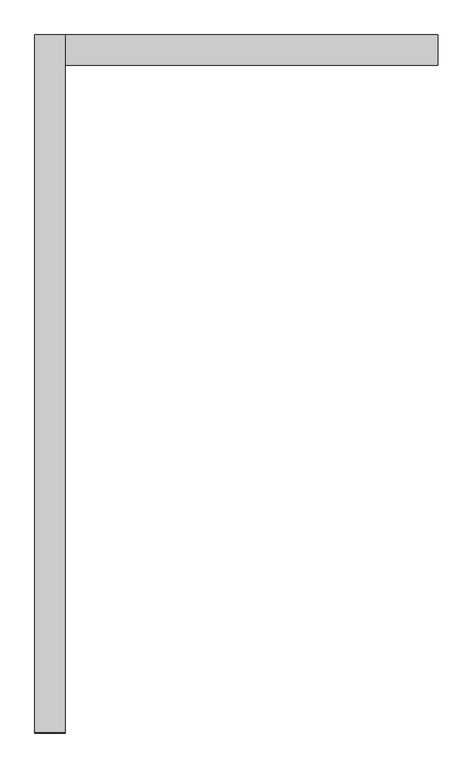
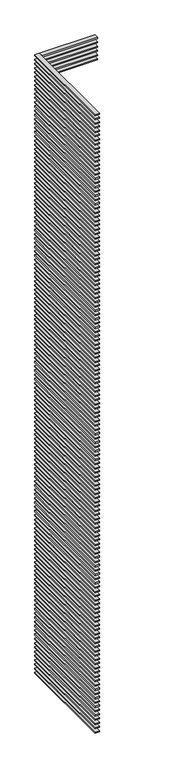
"""IFC4 building model written with IfcOpenShell, lengths in millimetres: proxy geometry."""

from ifc_helpers import new_model, si_unit, frame, origin, place, context, project, spatial, polyline, outline, extrude, source, transform, mapped, element, save


def generic_models_8edc52f3(model_context):
    return source(origin(), model_context, "Body", "SweptSolid", [
        extrude(outline(polyline([(-100.0, -4625.0), (-300.0, -4625.0), (-300.0, 0.0), (-100.0, 0.0), (-100.0, -4625.0)])), frame((0.0, 0.0, 28975.0), z_axis=(0.0, 0.0, 1.0), x_axis=(1.0, 0.0, 0.0)), (0.0, 0.0, 1.0), 50.0),
        extrude(outline(polyline([(-100.0, -4625.0), (-300.0, -4625.0), (-300.0, 0.0), (-100.0, 0.0), (-100.0, -4625.0)])), frame((0.0, 0.0, 28775.0), z_axis=(0.0, 0.0, 1.0), x_axis=(1.0, 0.0, 0.0)), (0.0, 0.0, 1.0), 50.0),
        extrude(outline(polyline([(-100.0, -4625.0), (-300.0, -4625.0), (-300.0, 0.0), (-100.0, 0.0), (-100.0, -4625.0)])), frame((0.0, 0.0, 28575.0), z_axis=(0.0, 0.0, 1.0), x_axis=(1.0, 0.0, 0.0)), (0.0, 0.0, 1.0), 50.0),
        extrude(outline(polyline([(-100.0, -4625.0), (-300.0, -4625.0), (-300.0, 0.0), (-100.0, 0.0), (-100.0, -4625.0)])), frame((0.0, 0.0, 28375.0), z_axis=(0.0, 0.0, 1.0), x_axis=(1.0, 0.0, 0.0)), (0.0, 0.0, 1.0), 50.0),
        extrude(outline(polyline([(-100.0, -4625.0), (-300.0, -4625.0), (-300.0, 0.0), (-100.0, 0.0), (-100.0, -4625.0)])), frame((0.0, 0.0, 28175.0), z_axis=(0.0, 0.0, 1.0), x_axis=(1.0, 0.0, 0.0)), (0.0, 0.0, 1.0), 50.0),
        extrude(outline(polyline([(-100.0, -4625.0), (-300.0, -4625.0), (-300.0, 0.0), (-100.0, 0.0), (-100.0, -4625.0)])), frame((0.0, 0.0, 27975.0), z_axis=(0.0, 0.0, 1.0), x_axis=(1.0, 0.0, 0.0)), (0.0, 0.0, 1.0), 50.0),
        extrude(outline(polyline([(-100.0, -4625.0), (-300.0, -4625.0), (-300.0, 0.0), (-100.0, 0.0), (-100.0, -4625.0)])), frame((0.0, 0.0, 27775.0), z_axis=(0.0, 0.0, 1.0), x_axis=(1.0, 0.0, 0.0)), (0.0, 0.0, 1.0), 50.0),
        extrude(outline(polyline([(-100.0, -4625.0), (-300.0, -4625.0), (-300.0, 0.0), (-100.0, 0.0), (-100.0, -4625.0)])), frame((0.0, 0.0, 27575.0), z_axis=(0.0, 0.0, 1.0), x_axis=(1.0, 0.0, 0.0)), (0.0, 0.0, 1.0), 50.0),
        extrude(outline(polyline([(-100.0, -4625.0), (-300.0, -4625.0), (-300.0, 0.0), (-100.0, 0.0), (-100.0, -4625.0)])), frame((0.0, 0.0, 27375.0), z_axis=(0.0, 0.0, 1.0), x_axis=(1.0, 0.0, 0.0)), (0.0, 0.0, 1.0), 50.0),
        extrude(outline(polyline([(-100.0, -4625.0), (-300.0, -4625.0), (-300.0, 0.0), (-100.0, 0.0), (-100.0, -4625.0)])), frame((0.0, 0.0, 27175.0), z_axis=(0.0, 0.0, 1.0), x_axis=(1.0, 0.0, 0.0)), (0.0, 0.0, 1.0), 50.0),
        extrude(outline(polyline([(-100.0, -4625.0), (-300.0, -4625.0), (-300.0, 0.0), (-100.0, 0.0), (-100.0, -4625.0)])), frame((0.0, 0.0, 26975.0), z_axis=(0.0, 0.0, 1.0), x_axis=(1.0, 0.0, 0.0)), (0.0, 0.0, 1.0), 50.0),
        extrude(outline(polyline([(-100.0, -4625.0), (-300.0, -4625.0), (-300.0, 0.0), (-100.0, 0.0), (-100.0, -4625.0)])), frame((0.0, 0.0, 26775.0), z_axis=(0.0, 0.0, 1.0), x_axis=(1.0, 0.0, 0.0)), (0.0, 0.0, 1.0), 50.0),
        extrude(outline(polyline([(-100.0, -4625.0), (-300.0, -4625.0), (-300.0, 0.0), (-100.0, 0.0), (-100.0, -4625.0)])), frame((0.0, 0.0, 26575.0), z_axis=(0.0, 0.0, 1.0), x_axis=(1.0, 0.0, 0.0)), (0.0, 0.0, 1.0), 50.0),
        extrude(outline(polyline([(-100.0, -4625.0), (-300.0, -4625.0), (-300.0, 0.0), (-100.0, 0.0), (-100.0, -4625.0)])), frame((0.0, 0.0, 26375.0), z_axis=(0.0, 0.0, 1.0), x_axis=(1.0, 0.0, 0.0)), (0.0, 0.0, 1.0), 50.0),
        extrude(outline(polyline([(-100.0, -4625.0), (-300.0, -4625.0), (-300.0, 0.0), (-100.0, 0.0), (-100.0, -4625.0)])), frame((0.0, 0.0, 26175.0), z_axis=(0.0, 0.0, 1.0), x_axis=(1.0, 0.0, 0.0)), (0.0, 0.0, 1.0), 50.0),
        extrude(outline(polyline([(-100.0, -4625.0), (-300.0, -4625.0), (-300.0, 0.0), (-100.0, 0.0), (-100.0, -4625.0)])), frame((0.0, 0.0, 25975.0), z_axis=(0.0, 0.0, 1.0), x_axis=(1.0, 0.0, 0.0)), (0.0, 0.0, 1.0), 50.0),
        extrude(outline(polyline([(-100.0, -4625.0), (-300.0, -4625.0), (-300.0, 0.0), (-100.0, 0.0), (-100.0, -4625.0)])), frame((0.0, 0.0, 25775.0), z_axis=(0.0, 0.0, 1.0), x_axis=(1.0, 0.0, 0.0)), (0.0, 0.0, 1.0), 50.0),
        extrude(outline(polyline([(-100.0, -4625.0), (-300.0, -4625.0), (-300.0, 0.0), (-100.0, 0.0), (-100.0, -4625.0)])), frame((0.0, 0.0, 25575.0), z_axis=(0.0, 0.0, 1.0), x_axis=(1.0, 0.0, 0.0)), (0.0, 0.0, 1.0), 50.0),
        extrude(outline(polyline([(-100.0, -4625.0), (-300.0, -4625.0), (-300.0, 0.0), (-100.0, 0.0), (-100.0, -4625.0)])), frame((0.0, 0.0, 25375.0), z_axis=(0.0, 0.0, 1.0), x_axis=(1.0, 0.0, 0.0)), (0.0, 0.0, 1.0), 50.0),
        extrude(outline(polyline([(-100.0, -4625.0), (-300.0, -4625.0), (-300.0, 0.0), (-100.0, 0.0), (-100.0, -4625.0)])), frame((0.0, 0.0, 25175.0), z_axis=(0.0, 0.0, 1.0), x_axis=(1.0, 0.0, 0.0)), (0.0, 0.0, 1.0), 50.0),
        extrude(outline(polyline([(-100.0, -4625.0), (-300.0, -4625.0), (-300.0, 0.0), (-100.0, 0.0), (-100.0, -4625.0)])), frame((0.0, 0.0, 24975.0), z_axis=(0.0, 0.0, 1.0), x_axis=(1.0, 0.0, 0.0)), (0.0, 0.0, 1.0), 50.0),
        extrude(outline(polyline([(-100.0, -4625.0), (-300.0, -4625.0), (-300.0, 0.0), (-100.0, 0.0), (-100.0, -4625.0)])), frame((0.0, 0.0, 24775.0), z_axis=(0.0, 0.0, 1.0), x_axis=(1.0, 0.0, 0.0)), (0.0, 0.0, 1.0), 50.0),
        extrude(outline(polyline([(-100.0, -4625.0), (-300.0, -4625.0), (-300.0, 0.0), (-100.0, 0.0), (-100.0, -4625.0)])), frame((0.0, 0.0, 24575.0), z_axis=(0.0, 0.0, 1.0), x_axis=(1.0, 0.0, 0.0)), (0.0, 0.0, 1.0), 50.0),
        extrude(outline(polyline([(-100.0, -4625.0), (-300.0, -4625.0), (-300.0, 0.0), (-100.0, 0.0), (-100.0, -4625.0)])), frame((0.0, 0.0, 24375.0), z_axis=(0.0, 0.0, 1.0), x_axis=(1.0, 0.0, 0.0)), (0.0, 0.0, 1.0), 50.0),
        extrude(outline(polyline([(-100.0, -4625.0), (-300.0, -4625.0), (-300.0, 0.0), (-100.0, 0.0), (-100.0, -4625.0)])), frame((0.0, 0.0, 24175.0), z_axis=(0.0, 0.0, 1.0), x_axis=(1.0, 0.0, 0.0)), (0.0, 0.0, 1.0), 50.0),
        extrude(outline(polyline([(-100.0, -4625.0), (-300.0, -4625.0), (-300.0, 0.0), (-100.0, 0.0), (-100.0, -4625.0)])), frame((0.0, 0.0, 23975.0), z_axis=(0.0, 0.0, 1.0), x_axis=(1.0, 0.0, 0.0)), (0.0, 0.0, 1.0), 50.0),
        extrude(outline(polyline([(-100.0, -4625.0), (-300.0, -4625.0), (-300.0, 0.0), (-100.0, 0.0), (-100.0, -4625.0)])), frame((0.0, 0.0, 23775.0), z_axis=(0.0, 0.0, 1.0), x_axis=(1.0, 0.0, 0.0)), (0.0, 0.0, 1.0), 50.0),
        extrude(outline(polyline([(-100.0, -4625.0), (-300.0, -4625.0), (-300.0, 0.0), (-100.0, 0.0), (-100.0, -4625.0)])), frame((0.0, 0.0, 23575.0), z_axis=(0.0, 0.0, 1.0), x_axis=(1.0, 0.0, 0.0)), (0.0, 0.0, 1.0), 50.0),
        extrude(outline(polyline([(-100.0, -4625.0), (-300.0, -4625.0), (-300.0, 0.0), (-100.0, 0.0), (-100.0, -4625.0)])), frame((0.0, 0.0, 23375.0), z_axis=(0.0, 0.0, 1.0), x_axis=(1.0, 0.0, 0.0)), (0.0, 0.0, 1.0), 50.0),
        extrude(outline(polyline([(-100.0, -4625.0), (-300.0, -4625.0), (-300.0, 0.0), (-100.0, 0.0), (-100.0, -4625.0)])), frame((0.0, 0.0, 23175.0), z_axis=(0.0, 0.0, 1.0), x_axis=(1.0, 0.0, 0.0)), (0.0, 0.0, 1.0), 50.0),
        extrude(outline(polyline([(-100.0, -4625.0), (-300.0, -4625.0), (-300.0, 0.0), (-100.0, 0.0), (-100.0, -4625.0)])), frame((0.0, 0.0, 22975.0), z_axis=(0.0, 0.0, 1.0), x_axis=(1.0, 0.0, 0.0)), (0.0, 0.0, 1.0), 50.0),
        extrude(outline(polyline([(-100.0, -4625.0), (-300.0, -4625.0), (-300.0, 0.0), (-100.0, 0.0), (-100.0, -4625.0)])), frame((0.0, 0.0, 22775.0), z_axis=(0.0, 0.0, 1.0), x_axis=(1.0, 0.0, 0.0)), (0.0, 0.0, 1.0), 50.0),
        extrude(outline(polyline([(-100.0, -4625.0), (-300.0, -4625.0), (-300.0, 0.0), (-100.0, 0.0), (-100.0, -4625.0)])), frame((0.0, 0.0, 22575.0), z_axis=(0.0, 0.0, 1.0), x_axis=(1.0, 0.0, 0.0)), (0.0, 0.0, 1.0), 50.0),
        extrude(outline(polyline([(-100.0, -4625.0), (-300.0, -4625.0), (-300.0, 0.0), (-100.0, 0.0), (-100.0, -4625.0)])), frame((0.0, 0.0, 22375.0), z_axis=(0.0, 0.0, 1.0), x_axis=(1.0, 0.0, 0.0)), (0.0, 0.0, 1.0), 50.0),
        extrude(outline(polyline([(-100.0, -4625.0), (-300.0, -4625.0), (-300.0, 0.0), (-100.0, 0.0), (-100.0, -4625.0)])), frame((0.0, 0.0, 22175.0), z_axis=(0.0, 0.0, 1.0), x_axis=(1.0, 0.0, 0.0)), (0.0, 0.0, 1.0), 50.0),
        extrude(outline(polyline([(-100.0, -4625.0), (-300.0, -4625.0), (-300.0, 0.0), (-100.0, 0.0), (-100.0, -4625.0)])), frame((0.0, 0.0, 21975.0), z_axis=(0.0, 0.0, 1.0), x_axis=(1.0, 0.0, 0.0)), (0.0, 0.0, 1.0), 50.0),
        extrude(outline(polyline([(-100.0, -4625.0), (-300.0, -4625.0), (-300.0, 0.0), (-100.0, 0.0), (-100.0, -4625.0)])), frame((0.0, 0.0, 21775.0), z_axis=(0.0, 0.0, 1.0), x_axis=(1.0, 0.0, 0.0)), (0.0, 0.0, 1.0), 50.0),
        extrude(outline(polyline([(-100.0, -4625.0), (-300.0, -4625.0), (-300.0, 0.0), (-100.0, 0.0), (-100.0, -4625.0)])), frame((0.0, 0.0, 21575.0), z_axis=(0.0, 0.0, 1.0), x_axis=(1.0, 0.0, 0.0)), (0.0, 0.0, 1.0), 50.0),
        extrude(outline(polyline([(-100.0, -4625.0), (-300.0, -4625.0), (-300.0, 0.0), (-100.0, 0.0), (-100.0, -4625.0)])), frame((0.0, 0.0, 21375.0), z_axis=(0.0, 0.0, 1.0), x_axis=(1.0, 0.0, 0.0)), (0.0, 0.0, 1.0), 50.0),
        extrude(outline(polyline([(-100.0, -4625.0), (-300.0, -4625.0), (-300.0, 0.0), (-100.0, 0.0), (-100.0, -4625.0)])), frame((0.0, 0.0, 21175.0), z_axis=(0.0, 0.0, 1.0), x_axis=(1.0, 0.0, 0.0)), (0.0, 0.0, 1.0), 50.0),
        extrude(outline(polyline([(-100.0, -4625.0), (-300.0, -4625.0), (-300.0, 0.0), (-100.0, 0.0), (-100.0, -4625.0)])), frame((0.0, 0.0, 20975.0), z_axis=(0.0, 0.0, 1.0), x_axis=(1.0, 0.0, 0.0)), (0.0, 0.0, 1.0), 50.0),
        extrude(outline(polyline([(-100.0, -4625.0), (-300.0, -4625.0), (-300.0, 0.0), (-100.0, 0.0), (-100.0, -4625.0)])), frame((0.0, 0.0, 20775.0), z_axis=(0.0, 0.0, 1.0), x_axis=(1.0, 0.0, 0.0)), (0.0, 0.0, 1.0), 50.0),
        extrude(outline(polyline([(-100.0, -4625.0), (-300.0, -4625.0), (-300.0, 0.0), (-100.0, 0.0), (-100.0, -4625.0)])), frame((0.0, 0.0, 20575.0), z_axis=(0.0, 0.0, 1.0), x_axis=(1.0, 0.0, 0.0)), (0.0, 0.0, 1.0), 50.0),
        extrude(outline(polyline([(-100.0, -4625.0), (-300.0, -4625.0), (-300.0, 0.0), (-100.0, 0.0), (-100.0, -4625.0)])), frame((0.0, 0.0, 20375.0), z_axis=(0.0, 0.0, 1.0), x_axis=(1.0, 0.0, 0.0)), (0.0, 0.0, 1.0), 50.0),
        extrude(outline(polyline([(-100.0, -4625.0), (-300.0, -4625.0), (-300.0, 0.0), (-100.0, 0.0), (-100.0, -4625.0)])), frame((0.0, 0.0, 20175.0), z_axis=(0.0, 0.0, 1.0), x_axis=(1.0, 0.0, 0.0)), (0.0, 0.0, 1.0), 50.0),
        extrude(outline(polyline([(-100.0, -4625.0), (-300.0, -4625.0), (-300.0, 0.0), (-100.0, 0.0), (-100.0, -4625.0)])), frame((0.0, 0.0, 19975.0), z_axis=(0.0, 0.0, 1.0), x_axis=(1.0, 0.0, 0.0)), (0.0, 0.0, 1.0), 50.0),
        extrude(outline(polyline([(-100.0, -4625.0), (-300.0, -4625.0), (-300.0, 0.0), (-100.0, 0.0), (-100.0, -4625.0)])), frame((0.0, 0.0, 19775.0), z_axis=(0.0, 0.0, 1.0), x_axis=(1.0, 0.0, 0.0)), (0.0, 0.0, 1.0), 50.0),
        extrude(outline(polyline([(-100.0, -4625.0), (-300.0, -4625.0), (-300.0, 0.0), (-100.0, 0.0), (-100.0, -4625.0)])), frame((0.0, 0.0, 19575.0), z_axis=(0.0, 0.0, 1.0), x_axis=(1.0, 0.0, 0.0)), (0.0, 0.0, 1.0), 50.0),
        extrude(outline(polyline([(-100.0, -4625.0), (-300.0, -4625.0), (-300.0, 0.0), (-100.0, 0.0), (-100.0, -4625.0)])), frame((0.0, 0.0, 19375.0), z_axis=(0.0, 0.0, 1.0), x_axis=(1.0, 0.0, 0.0)), (0.0, 0.0, 1.0), 50.0),
        extrude(outline(polyline([(-100.0, -4625.0), (-300.0, -4625.0), (-300.0, 0.0), (-100.0, 0.0), (-100.0, -4625.0)])), frame((0.0, 0.0, 19175.0), z_axis=(0.0, 0.0, 1.0), x_axis=(1.0, 0.0, 0.0)), (0.0, 0.0, 1.0), 50.0),
        extrude(outline(polyline([(-100.0, -4625.0), (-300.0, -4625.0), (-300.0, 0.0), (-100.0, 0.0), (-100.0, -4625.0)])), frame((0.0, 0.0, 18975.0), z_axis=(0.0, 0.0, 1.0), x_axis=(1.0, 0.0, 0.0)), (0.0, 0.0, 1.0), 50.0),
        extrude(outline(polyline([(-100.0, -4625.0), (-300.0, -4625.0), (-300.0, 0.0), (-100.0, 0.0), (-100.0, -4625.0)])), frame((0.0, 0.0, 18775.0), z_axis=(0.0, 0.0, 1.0), x_axis=(1.0, 0.0, 0.0)), (0.0, 0.0, 1.0), 50.0),
        extrude(outline(polyline([(-100.0, -4625.0), (-300.0, -4625.0), (-300.0, 0.0), (-100.0, 0.0), (-100.0, -4625.0)])), frame((0.0, 0.0, 18575.0), z_axis=(0.0, 0.0, 1.0), x_axis=(1.0, 0.0, 0.0)), (0.0, 0.0, 1.0), 50.0),
        extrude(outline(polyline([(-100.0, -4625.0), (-300.0, -4625.0), (-300.0, 0.0), (-100.0, 0.0), (-100.0, -4625.0)])), frame((0.0, 0.0, 18375.0), z_axis=(0.0, 0.0, 1.0), x_axis=(1.0, 0.0, 0.0)), (0.0, 0.0, 1.0), 50.0),
        extrude(outline(polyline([(-100.0, -4625.0), (-300.0, -4625.0), (-300.0, 0.0), (-100.0, 0.0), (-100.0, -4625.0)])), frame((0.0, 0.0, 18175.0), z_axis=(0.0, 0.0, 1.0), x_axis=(1.0, 0.0, 0.0)), (0.0, 0.0, 1.0), 50.0),
        extrude(outline(polyline([(-100.0, -4625.0), (-300.0, -4625.0), (-300.0, 0.0), (-100.0, 0.0), (-100.0, -4625.0)])), frame((0.0, 0.0, 17975.0), z_axis=(0.0, 0.0, 1.0), x_axis=(1.0, 0.0, 0.0)), (0.0, 0.0, 1.0), 50.0),
        extrude(outline(polyline([(-100.0, -4625.0), (-300.0, -4625.0), (-300.0, 0.0), (-100.0, 0.0), (-100.0, -4625.0)])), frame((0.0, 0.0, 17775.0), z_axis=(0.0, 0.0, 1.0), x_axis=(1.0, 0.0, 0.0)), (0.0, 0.0, 1.0), 50.0),
        extrude(outline(polyline([(-100.0, -4625.0), (-300.0, -4625.0), (-300.0, 0.0), (-100.0, 0.0), (-100.0, -4625.0)])), frame((0.0, 0.0, 17575.0), z_axis=(0.0, 0.0, 1.0), x_axis=(1.0, 0.0, 0.0)), (0.0, 0.0, 1.0), 50.0),
        extrude(outline(polyline([(-100.0, -4625.0), (-300.0, -4625.0), (-300.0, 0.0), (-100.0, 0.0), (-100.0, -4625.0)])), frame((0.0, 0.0, 17375.0), z_axis=(0.0, 0.0, 1.0), x_axis=(1.0, 0.0, 0.0)), (0.0, 0.0, 1.0), 50.0),
        extrude(outline(polyline([(-100.0, -4625.0), (-300.0, -4625.0), (-300.0, 0.0), (-100.0, 0.0), (-100.0, -4625.0)])), frame((0.0, 0.0, 17175.0), z_axis=(0.0, 0.0, 1.0), x_axis=(1.0, 0.0, 0.0)), (0.0, 0.0, 1.0), 50.0),
        extrude(outline(polyline([(-100.0, -4625.0), (-300.0, -4625.0), (-300.0, 0.0), (-100.0, 0.0), (-100.0, -4625.0)])), frame((0.0, 0.0, 16975.0), z_axis=(0.0, 0.0, 1.0), x_axis=(1.0, 0.0, 0.0)), (0.0, 0.0, 1.0), 50.0),
        extrude(outline(polyline([(-100.0, -4625.0), (-300.0, -4625.0), (-300.0, 0.0), (-100.0, 0.0), (-100.0, -4625.0)])), frame((0.0, 0.0, 16775.0), z_axis=(0.0, 0.0, 1.0), x_axis=(1.0, 0.0, 0.0)), (0.0, 0.0, 1.0), 50.0),
        extrude(outline(polyline([(-100.0, -4625.0), (-300.0, -4625.0), (-300.0, 0.0), (-100.0, 0.0), (-100.0, -4625.0)])), frame((0.0, 0.0, 16575.0), z_axis=(0.0, 0.0, 1.0), x_axis=(1.0, 0.0, 0.0)), (0.0, 0.0, 1.0), 50.0),
        extrude(outline(polyline([(-100.0, -4625.0), (-300.0, -4625.0), (-300.0, 0.0), (-100.0, 0.0), (-100.0, -4625.0)])), frame((0.0, 0.0, 16375.0), z_axis=(0.0, 0.0, 1.0), x_axis=(1.0, 0.0, 0.0)), (0.0, 0.0, 1.0), 50.0),
        extrude(outline(polyline([(-100.0, -4625.0), (-300.0, -4625.0), (-300.0, 0.0), (-100.0, 0.0), (-100.0, -4625.0)])), frame((0.0, 0.0, 16175.0), z_axis=(0.0, 0.0, 1.0), x_axis=(1.0, 0.0, 0.0)), (0.0, 0.0, 1.0), 50.0),
        extrude(outline(polyline([(-100.0, -4625.0), (-300.0, -4625.0), (-300.0, 0.0), (-100.0, 0.0), (-100.0, -4625.0)])), frame((0.0, 0.0, 15975.0), z_axis=(0.0, 0.0, 1.0), x_axis=(1.0, 0.0, 0.0)), (0.0, 0.0, 1.0), 50.0),
        extrude(outline(polyline([(-100.0, -4625.0), (-300.0, -4625.0), (-300.0, 0.0), (-100.0, 0.0), (-100.0, -4625.0)])), frame((0.0, 0.0, 15775.0), z_axis=(0.0, 0.0, 1.0), x_axis=(1.0, 0.0, 0.0)), (0.0, 0.0, 1.0), 50.0),
        extrude(outline(polyline([(-100.0, -4625.0), (-300.0, -4625.0), (-300.0, 0.0), (-100.0, 0.0), (-100.0, -4625.0)])), frame((0.0, 0.0, 15575.0), z_axis=(0.0, 0.0, 1.0), x_axis=(1.0, 0.0, 0.0)), (0.0, 0.0, 1.0), 50.0),
        extrude(outline(polyline([(-100.0, -4625.0), (-300.0, -4625.0), (-300.0, 0.0), (-100.0, 0.0), (-100.0, -4625.0)])), frame((0.0, 0.0, 15375.0), z_axis=(0.0, 0.0, 1.0), x_axis=(1.0, 0.0, 0.0)), (0.0, 0.0, 1.0), 50.0),
        extrude(outline(polyline([(-100.0, -4625.0), (-300.0, -4625.0), (-300.0, 0.0), (-100.0, 0.0), (-100.0, -4625.0)])), frame((0.0, 0.0, 15175.0), z_axis=(0.0, 0.0, 1.0), x_axis=(1.0, 0.0, 0.0)), (0.0, 0.0, 1.0), 50.0),
        extrude(outline(polyline([(-100.0, -4625.0), (-300.0, -4625.0), (-300.0, 0.0), (-100.0, 0.0), (-100.0, -4625.0)])), frame((0.0, 0.0, 14975.0), z_axis=(0.0, 0.0, 1.0), x_axis=(1.0, 0.0, 0.0)), (0.0, 0.0, 1.0), 50.0),
        extrude(outline(polyline([(-100.0, -4625.0), (-300.0, -4625.0), (-300.0, 0.0), (-100.0, 0.0), (-100.0, -4625.0)])), frame((0.0, 0.0, 14775.0), z_axis=(0.0, 0.0, 1.0), x_axis=(1.0, 0.0, 0.0)), (0.0, 0.0, 1.0), 50.0),
        extrude(outline(polyline([(-100.0, -4625.0), (-300.0, -4625.0), (-300.0, 0.0), (-100.0, 0.0), (-100.0, -4625.0)])), frame((0.0, 0.0, 14575.0), z_axis=(0.0, 0.0, 1.0), x_axis=(1.0, 0.0, 0.0)), (0.0, 0.0, 1.0), 50.0),
        extrude(outline(polyline([(-100.0, -4625.0), (-300.0, -4625.0), (-300.0, 0.0), (-100.0, 0.0), (-100.0, -4625.0)])), frame((0.0, 0.0, 14375.0), z_axis=(0.0, 0.0, 1.0), x_axis=(1.0, 0.0, 0.0)), (0.0, 0.0, 1.0), 50.0),
        extrude(outline(polyline([(-100.0, -4625.0), (-300.0, -4625.0), (-300.0, 0.0), (-100.0, 0.0), (-100.0, -4625.0)])), frame((0.0, 0.0, 14175.0), z_axis=(0.0, 0.0, 1.0), x_axis=(1.0, 0.0, 0.0)), (0.0, 0.0, 1.0), 50.0),
        extrude(outline(polyline([(-100.0, -4625.0), (-300.0, -4625.0), (-300.0, 0.0), (-100.0, 0.0), (-100.0, -4625.0)])), frame((0.0, 0.0, 13975.0), z_axis=(0.0, 0.0, 1.0), x_axis=(1.0, 0.0, 0.0)), (0.0, 0.0, 1.0), 50.0),
        extrude(outline(polyline([(-100.0, -4625.0), (-300.0, -4625.0), (-300.0, 0.0), (-100.0, 0.0), (-100.0, -4625.0)])), frame((0.0, 0.0, 13775.0), z_axis=(0.0, 0.0, 1.0), x_axis=(1.0, 0.0, 0.0)), (0.0, 0.0, 1.0), 50.0),
        extrude(outline(polyline([(-100.0, -4625.0), (-300.0, -4625.0), (-300.0, 0.0), (-100.0, 0.0), (-100.0, -4625.0)])), frame((0.0, 0.0, 13575.0), z_axis=(0.0, 0.0, 1.0), x_axis=(1.0, 0.0, 0.0)), (0.0, 0.0, 1.0), 50.0),
        extrude(outline(polyline([(-100.0, -4625.0), (-300.0, -4625.0), (-300.0, 0.0), (-100.0, 0.0), (-100.0, -4625.0)])), frame((0.0, 0.0, 13375.0), z_axis=(0.0, 0.0, 1.0), x_axis=(1.0, 0.0, 0.0)), (0.0, 0.0, 1.0), 50.0),
        extrude(outline(polyline([(-100.0, -4625.0), (-300.0, -4625.0), (-300.0, 0.0), (-100.0, 0.0), (-100.0, -4625.0)])), frame((0.0, 0.0, 13175.0), z_axis=(0.0, 0.0, 1.0), x_axis=(1.0, 0.0, 0.0)), (0.0, 0.0, 1.0), 50.0),
        extrude(outline(polyline([(-100.0, -4625.0), (-300.0, -4625.0), (-300.0, 0.0), (-100.0, 0.0), (-100.0, -4625.0)])), frame((0.0, 0.0, 12975.0), z_axis=(0.0, 0.0, 1.0), x_axis=(1.0, 0.0, 0.0)), (0.0, 0.0, 1.0), 50.0),
        extrude(outline(polyline([(-100.0, -4625.0), (-300.0, -4625.0), (-300.0, 0.0), (-100.0, 0.0), (-100.0, -4625.0)])), frame((0.0, 0.0, 12775.0), z_axis=(0.0, 0.0, 1.0), x_axis=(1.0, 0.0, 0.0)), (0.0, 0.0, 1.0), 50.0),
        extrude(outline(polyline([(-100.0, -4625.0), (-300.0, -4625.0), (-300.0, 0.0), (-100.0, 0.0), (-100.0, -4625.0)])), frame((0.0, 0.0, 12575.0), z_axis=(0.0, 0.0, 1.0), x_axis=(1.0, 0.0, 0.0)), (0.0, 0.0, 1.0), 50.0),
        extrude(outline(polyline([(-100.0, -4625.0), (-300.0, -4625.0), (-300.0, 0.0), (-100.0, 0.0), (-100.0, -4625.0)])), frame((0.0, 0.0, 12375.0), z_axis=(0.0, 0.0, 1.0), x_axis=(1.0, 0.0, 0.0)), (0.0, 0.0, 1.0), 50.0),
        extrude(outline(polyline([(-100.0, -4625.0), (-300.0, -4625.0), (-300.0, 0.0), (-100.0, 0.0), (-100.0, -4625.0)])), frame((0.0, 0.0, 12175.0), z_axis=(0.0, 0.0, 1.0), x_axis=(1.0, 0.0, 0.0)), (0.0, 0.0, 1.0), 50.0),
        extrude(outline(polyline([(-100.0, -4625.0), (-300.0, -4625.0), (-300.0, 0.0), (-100.0, 0.0), (-100.0, -4625.0)])), frame((0.0, 0.0, 11975.0), z_axis=(0.0, 0.0, 1.0), x_axis=(1.0, 0.0, 0.0)), (0.0, 0.0, 1.0), 50.0),
        extrude(outline(polyline([(-100.0, -4625.0), (-300.0, -4625.0), (-300.0, 0.0), (-100.0, 0.0), (-100.0, -4625.0)])), frame((0.0, 0.0, 11775.0), z_axis=(0.0, 0.0, 1.0), x_axis=(1.0, 0.0, 0.0)), (0.0, 0.0, 1.0), 50.0),
        extrude(outline(polyline([(-100.0, -4625.0), (-300.0, -4625.0), (-300.0, 0.0), (-100.0, 0.0), (-100.0, -4625.0)])), frame((0.0, 0.0, 11575.0), z_axis=(0.0, 0.0, 1.0), x_axis=(1.0, 0.0, 0.0)), (0.0, 0.0, 1.0), 50.0),
        extrude(outline(polyline([(-100.0, -4625.0), (-300.0, -4625.0), (-300.0, 0.0), (-100.0, 0.0), (-100.0, -4625.0)])), frame((0.0, 0.0, 11375.0), z_axis=(0.0, 0.0, 1.0), x_axis=(1.0, 0.0, 0.0)), (0.0, 0.0, 1.0), 50.0),
        extrude(outline(polyline([(-100.0, -4625.0), (-300.0, -4625.0), (-300.0, 0.0), (-100.0, 0.0), (-100.0, -4625.0)])), frame((0.0, 0.0, 11175.0), z_axis=(0.0, 0.0, 1.0), x_axis=(1.0, 0.0, 0.0)), (0.0, 0.0, 1.0), 50.0),
        extrude(outline(polyline([(-100.0, -4625.0), (-300.0, -4625.0), (-300.0, 0.0), (-100.0, 0.0), (-100.0, -4625.0)])), frame((0.0, 0.0, 10975.0), z_axis=(0.0, 0.0, 1.0), x_axis=(1.0, 0.0, 0.0)), (0.0, 0.0, 1.0), 50.0),
        extrude(outline(polyline([(-100.0, -4625.0), (-300.0, -4625.0), (-300.0, 0.0), (-100.0, 0.0), (-100.0, -4625.0)])), frame((0.0, 0.0, 10775.0), z_axis=(0.0, 0.0, 1.0), x_axis=(1.0, 0.0, 0.0)), (0.0, 0.0, 1.0), 50.0),
        extrude(outline(polyline([(-100.0, -4625.0), (-300.0, -4625.0), (-300.0, 0.0), (-100.0, 0.0), (-100.0, -4625.0)])), frame((0.0, 0.0, 10575.0), z_axis=(0.0, 0.0, 1.0), x_axis=(1.0, 0.0, 0.0)), (0.0, 0.0, 1.0), 50.0),
        extrude(outline(polyline([(-100.0, -4625.0), (-300.0, -4625.0), (-300.0, 0.0), (-100.0, 0.0), (-100.0, -4625.0)])), frame((0.0, 0.0, 10375.0), z_axis=(0.0, 0.0, 1.0), x_axis=(1.0, 0.0, 0.0)), (0.0, 0.0, 1.0), 50.0),
        extrude(outline(polyline([(-100.0, -4625.0), (-300.0, -4625.0), (-300.0, 0.0), (-100.0, 0.0), (-100.0, -4625.0)])), frame((0.0, 0.0, 10175.0), z_axis=(0.0, 0.0, 1.0), x_axis=(1.0, 0.0, 0.0)), (0.0, 0.0, 1.0), 50.0),
        extrude(outline(polyline([(-100.0, -4625.0), (-300.0, -4625.0), (-300.0, 0.0), (-100.0, 0.0), (-100.0, -4625.0)])), frame((0.0, 0.0, 9975.0), z_axis=(0.0, 0.0, 1.0), x_axis=(1.0, 0.0, 0.0)), (0.0, 0.0, 1.0), 50.0),
        extrude(outline(polyline([(-100.0, -4625.0), (-300.0, -4625.0), (-300.0, 0.0), (-100.0, 0.0), (-100.0, -4625.0)])), frame((0.0, 0.0, 9775.0), z_axis=(0.0, 0.0, 1.0), x_axis=(1.0, 0.0, 0.0)), (0.0, 0.0, 1.0), 50.0),
        extrude(outline(polyline([(-100.0, -4625.0), (-300.0, -4625.0), (-300.0, 0.0), (-100.0, 0.0), (-100.0, -4625.0)])), frame((0.0, 0.0, 9575.0), z_axis=(0.0, 0.0, 1.0), x_axis=(1.0, 0.0, 0.0)), (0.0, 0.0, 1.0), 50.0),
        extrude(outline(polyline([(-100.0, -4625.0), (-300.0, -4625.0), (-300.0, 0.0), (-100.0, 0.0), (-100.0, -4625.0)])), frame((0.0, 0.0, 9375.0), z_axis=(0.0, 0.0, 1.0), x_axis=(1.0, 0.0, 0.0)), (0.0, 0.0, 1.0), 50.0),
        extrude(outline(polyline([(-100.0, -4625.0), (-300.0, -4625.0), (-300.0, 0.0), (-100.0, 0.0), (-100.0, -4625.0)])), frame((0.0, 0.0, 9175.0), z_axis=(0.0, 0.0, 1.0), x_axis=(1.0, 0.0, 0.0)), (0.0, 0.0, 1.0), 50.0),
        extrude(outline(polyline([(-100.0, -4625.0), (-300.0, -4625.0), (-300.0, 0.0), (-100.0, 0.0), (-100.0, -4625.0)])), frame((0.0, 0.0, 8975.0), z_axis=(0.0, 0.0, 1.0), x_axis=(1.0, 0.0, 0.0)), (0.0, 0.0, 1.0), 50.0),
        extrude(outline(polyline([(-100.0, -4625.0), (-300.0, -4625.0), (-300.0, 0.0), (-100.0, 0.0), (-100.0, -4625.0)])), frame((0.0, 0.0, 8775.0), z_axis=(0.0, 0.0, 1.0), x_axis=(1.0, 0.0, 0.0)), (0.0, 0.0, 1.0), 50.0),
        extrude(outline(polyline([(-100.0, -4625.0), (-300.0, -4625.0), (-300.0, 0.0), (-100.0, 0.0), (-100.0, -4625.0)])), frame((0.0, 0.0, 8575.0), z_axis=(0.0, 0.0, 1.0), x_axis=(1.0, 0.0, 0.0)), (0.0, 0.0, 1.0), 50.0),
        extrude(outline(polyline([(-100.0, -4625.0), (-300.0, -4625.0), (-300.0, 0.0), (-100.0, 0.0), (-100.0, -4625.0)])), frame((0.0, 0.0, 8375.0), z_axis=(0.0, 0.0, 1.0), x_axis=(1.0, 0.0, 0.0)), (0.0, 0.0, 1.0), 50.0),
        extrude(outline(polyline([(-100.0, -4625.0), (-300.0, -4625.0), (-300.0, 0.0), (-100.0, 0.0), (-100.0, -4625.0)])), frame((0.0, 0.0, 8175.0), z_axis=(0.0, 0.0, 1.0), x_axis=(1.0, 0.0, 0.0)), (0.0, 0.0, 1.0), 50.0),
        extrude(outline(polyline([(-100.0, -4625.0), (-300.0, -4625.0), (-300.0, 0.0), (-100.0, 0.0), (-100.0, -4625.0)])), frame((0.0, 0.0, 7975.0), z_axis=(0.0, 0.0, 1.0), x_axis=(1.0, 0.0, 0.0)), (0.0, 0.0, 1.0), 50.0),
        extrude(outline(polyline([(-100.0, -4625.0), (-300.0, -4625.0), (-300.0, 0.0), (-100.0, 0.0), (-100.0, -4625.0)])), frame((0.0, 0.0, 7775.0), z_axis=(0.0, 0.0, 1.0), x_axis=(1.0, 0.0, 0.0)), (0.0, 0.0, 1.0), 50.0),
        extrude(outline(polyline([(-100.0, -4625.0), (-300.0, -4625.0), (-300.0, 0.0), (-100.0, 0.0), (-100.0, -4625.0)])), frame((0.0, 0.0, 7575.0), z_axis=(0.0, 0.0, 1.0), x_axis=(1.0, 0.0, 0.0)), (0.0, 0.0, 1.0), 50.0),
        extrude(outline(polyline([(-100.0, -4625.0), (-300.0, -4625.0), (-300.0, 0.0), (-100.0, 0.0), (-100.0, -4625.0)])), frame((0.0, 0.0, 7375.0), z_axis=(0.0, 0.0, 1.0), x_axis=(1.0, 0.0, 0.0)), (0.0, 0.0, 1.0), 50.0),
        extrude(outline(polyline([(-100.0, -4625.0), (-300.0, -4625.0), (-300.0, 0.0), (-100.0, 0.0), (-100.0, -4625.0)])), frame((0.0, 0.0, 7175.0), z_axis=(0.0, 0.0, 1.0), x_axis=(1.0, 0.0, 0.0)), (0.0, 0.0, 1.0), 50.0),
        extrude(outline(polyline([(-100.0, -4625.0), (-300.0, -4625.0), (-300.0, 0.0), (-100.0, 0.0), (-100.0, -4625.0)])), frame((0.0, 0.0, 6975.0), z_axis=(0.0, 0.0, 1.0), x_axis=(1.0, 0.0, 0.0)), (0.0, 0.0, 1.0), 50.0),
        extrude(outline(polyline([(-100.0, -4625.0), (-300.0, -4625.0), (-300.0, 0.0), (-100.0, 0.0), (-100.0, -4625.0)])), frame((0.0, 0.0, 6775.0), z_axis=(0.0, 0.0, 1.0), x_axis=(1.0, 0.0, 0.0)), (0.0, 0.0, 1.0), 50.0),
        extrude(outline(polyline([(-100.0, -4625.0), (-300.0, -4625.0), (-300.0, 0.0), (-100.0, 0.0), (-100.0, -4625.0)])), frame((0.0, 0.0, 6575.0), z_axis=(0.0, 0.0, 1.0), x_axis=(1.0, 0.0, 0.0)), (0.0, 0.0, 1.0), 50.0),
        extrude(outline(polyline([(-100.0, -4625.0), (-300.0, -4625.0), (-300.0, 0.0), (-100.0, 0.0), (-100.0, -4625.0)])), frame((0.0, 0.0, 6375.0), z_axis=(0.0, 0.0, 1.0), x_axis=(1.0, 0.0, 0.0)), (0.0, 0.0, 1.0), 50.0),
        extrude(outline(polyline([(-100.0, -4625.0), (-300.0, -4625.0), (-300.0, 0.0), (-100.0, 0.0), (-100.0, -4625.0)])), frame((0.0, 0.0, 6175.0), z_axis=(0.0, 0.0, 1.0), x_axis=(1.0, 0.0, 0.0)), (0.0, 0.0, 1.0), 50.0),
        extrude(outline(polyline([(-100.0, -4625.0), (-300.0, -4625.0), (-300.0, 0.0), (-100.0, 0.0), (-100.0, -4625.0)])), frame((0.0, 0.0, 5975.0), z_axis=(0.0, 0.0, 1.0), x_axis=(1.0, 0.0, 0.0)), (0.0, 0.0, 1.0), 50.0),
        extrude(outline(polyline([(-100.0, -4625.0), (-300.0, -4625.0), (-300.0, 0.0), (-100.0, 0.0), (-100.0, -4625.0)])), frame((0.0, 0.0, 5775.0), z_axis=(0.0, 0.0, 1.0), x_axis=(1.0, 0.0, 0.0)), (0.0, 0.0, 1.0), 50.0),
        extrude(outline(polyline([(-100.0, -4625.0), (-300.0, -4625.0), (-300.0, 0.0), (-100.0, 0.0), (-100.0, -4625.0)])), frame((0.0, 0.0, 5575.0), z_axis=(0.0, 0.0, 1.0), x_axis=(1.0, 0.0, 0.0)), (0.0, 0.0, 1.0), 50.0),
        extrude(outline(polyline([(-100.0, -4625.0), (-300.0, -4625.0), (-300.0, 0.0), (-100.0, 0.0), (-100.0, -4625.0)])), frame((0.0, 0.0, 5375.0), z_axis=(0.0, 0.0, 1.0), x_axis=(1.0, 0.0, 0.0)), (0.0, 0.0, 1.0), 50.0),
        extrude(outline(polyline([(-100.0, -4625.0), (-300.0, -4625.0), (-300.0, 0.0), (-100.0, 0.0), (-100.0, -4625.0)])), frame((0.0, 0.0, 5175.0), z_axis=(0.0, 0.0, 1.0), x_axis=(1.0, 0.0, 0.0)), (0.0, 0.0, 1.0), 50.0),
        extrude(outline(polyline([(-100.0, -4625.0), (-300.0, -4625.0), (-300.0, 0.0), (-100.0, 0.0), (-100.0, -4625.0)])), frame((0.0, 0.0, 4975.0), z_axis=(0.0, 0.0, 1.0), x_axis=(1.0, 0.0, 0.0)), (0.0, 0.0, 1.0), 50.0),
        extrude(outline(polyline([(-100.0, -4625.0), (-300.0, -4625.0), (-300.0, 0.0), (-100.0, 0.0), (-100.0, -4625.0)])), frame((0.0, 0.0, 4775.0), z_axis=(0.0, 0.0, 1.0), x_axis=(1.0, 0.0, 0.0)), (0.0, 0.0, 1.0), 50.0),
        extrude(outline(polyline([(-100.0, -4625.0), (-300.0, -4625.0), (-300.0, 0.0), (-100.0, 0.0), (-100.0, -4625.0)])), frame((0.0, 0.0, 4575.0), z_axis=(0.0, 0.0, 1.0), x_axis=(1.0, 0.0, 0.0)), (0.0, 0.0, 1.0), 50.0),
        extrude(outline(polyline([(-100.0, -4625.0), (-300.0, -4625.0), (-300.0, 0.0), (-100.0, 0.0), (-100.0, -4625.0)])), frame((0.0, 0.0, 4375.0), z_axis=(0.0, 0.0, 1.0), x_axis=(1.0, 0.0, 0.0)), (0.0, 0.0, 1.0), 50.0),
        extrude(outline(polyline([(-100.0, -4625.0), (-300.0, -4625.0), (-300.0, 0.0), (-100.0, 0.0), (-100.0, -4625.0)])), frame((0.0, 0.0, 4175.0), z_axis=(0.0, 0.0, 1.0), x_axis=(1.0, 0.0, 0.0)), (0.0, 0.0, 1.0), 50.0),
        extrude(outline(polyline([(-100.0, -4625.0), (-300.0, -4625.0), (-300.0, 0.0), (-100.0, 0.0), (-100.0, -4625.0)])), frame((0.0, 0.0, 3975.0), z_axis=(0.0, 0.0, 1.0), x_axis=(1.0, 0.0, 0.0)), (0.0, 0.0, 1.0), 50.0),
        extrude(outline(polyline([(-100.0, -4625.0), (-300.0, -4625.0), (-300.0, 0.0), (-100.0, 0.0), (-100.0, -4625.0)])), frame((0.0, 0.0, 3775.0), z_axis=(0.0, 0.0, 1.0), x_axis=(1.0, 0.0, 0.0)), (0.0, 0.0, 1.0), 50.0),
        extrude(outline(polyline([(-100.0, -4625.0), (-300.0, -4625.0), (-300.0, 0.0), (-100.0, 0.0), (-100.0, -4625.0)])), frame((0.0, 0.0, 3575.0), z_axis=(0.0, 0.0, 1.0), x_axis=(1.0, 0.0, 0.0)), (0.0, 0.0, 1.0), 50.0),
        extrude(outline(polyline([(-100.0, -4625.0), (-300.0, -4625.0), (-300.0, 0.0), (-100.0, 0.0), (-100.0, -4625.0)])), frame((0.0, 0.0, 3375.0), z_axis=(0.0, 0.0, 1.0), x_axis=(1.0, 0.0, 0.0)), (0.0, 0.0, 1.0), 50.0),
        extrude(outline(polyline([(-100.0, -4625.0), (-300.0, -4625.0), (-300.0, 0.0), (-100.0, 0.0), (-100.0, -4625.0)])), frame((0.0, 0.0, 3175.0), z_axis=(0.0, 0.0, 1.0), x_axis=(1.0, 0.0, 0.0)), (0.0, 0.0, 1.0), 50.0),
        extrude(outline(polyline([(-100.0, -4625.0), (-300.0, -4625.0), (-300.0, 0.0), (-100.0, 0.0), (-100.0, -4625.0)])), frame((0.0, 0.0, 2975.0), z_axis=(0.0, 0.0, 1.0), x_axis=(1.0, 0.0, 0.0)), (0.0, 0.0, 1.0), 50.0),
        extrude(outline(polyline([(-100.0, -4625.0), (-300.0, -4625.0), (-300.0, 0.0), (-100.0, 0.0), (-100.0, -4625.0)])), frame((0.0, 0.0, 2775.0), z_axis=(0.0, 0.0, 1.0), x_axis=(1.0, 0.0, 0.0)), (0.0, 0.0, 1.0), 50.0),
        extrude(outline(polyline([(-100.0, -4625.0), (-300.0, -4625.0), (-300.0, 0.0), (-100.0, 0.0), (-100.0, -4625.0)])), frame((0.0, 0.0, 2575.0), z_axis=(0.0, 0.0, 1.0), x_axis=(1.0, 0.0, 0.0)), (0.0, 0.0, 1.0), 50.0),
        extrude(outline(polyline([(-100.0, -4625.0), (-300.0, -4625.0), (-300.0, 0.0), (-100.0, 0.0), (-100.0, -4625.0)])), frame((0.0, 0.0, 2375.0), z_axis=(0.0, 0.0, 1.0), x_axis=(1.0, 0.0, 0.0)), (0.0, 0.0, 1.0), 50.0),
        extrude(outline(polyline([(-100.0, -4625.0), (-300.0, -4625.0), (-300.0, 0.0), (-100.0, 0.0), (-100.0, -4625.0)])), frame((0.0, 0.0, 2175.0), z_axis=(0.0, 0.0, 1.0), x_axis=(1.0, 0.0, 0.0)), (0.0, 0.0, 1.0), 50.0),
        extrude(outline(polyline([(-100.0, -4625.0), (-300.0, -4625.0), (-300.0, 0.0), (-100.0, 0.0), (-100.0, -4625.0)])), frame((0.0, 0.0, 1975.0), z_axis=(0.0, 0.0, 1.0), x_axis=(1.0, 0.0, 0.0)), (0.0, 0.0, 1.0), 50.0),
        extrude(outline(polyline([(-100.0, -4625.0), (-300.0, -4625.0), (-300.0, 0.0), (-100.0, 0.0), (-100.0, -4625.0)])), frame((0.0, 0.0, 1775.0), z_axis=(0.0, 0.0, 1.0), x_axis=(1.0, 0.0, 0.0)), (0.0, 0.0, 1.0), 50.0),
        extrude(outline(polyline([(-100.0, -4625.0), (-300.0, -4625.0), (-300.0, 0.0), (-100.0, 0.0), (-100.0, -4625.0)])), frame((0.0, 0.0, 1575.0), z_axis=(0.0, 0.0, 1.0), x_axis=(1.0, 0.0, 0.0)), (0.0, 0.0, 1.0), 50.0),
        extrude(outline(polyline([(-100.0, -4625.0), (-300.0, -4625.0), (-300.0, 0.0), (-100.0, 0.0), (-100.0, -4625.0)])), frame((0.0, 0.0, 1375.0), z_axis=(0.0, 0.0, 1.0), x_axis=(1.0, 0.0, 0.0)), (0.0, 0.0, 1.0), 50.0),
        extrude(outline(polyline([(-100.0, -4625.0), (-300.0, -4625.0), (-300.0, 0.0), (-100.0, 0.0), (-100.0, -4625.0)])), frame((0.0, 0.0, 1175.0), z_axis=(0.0, 0.0, 1.0), x_axis=(1.0, 0.0, 0.0)), (0.0, 0.0, 1.0), 50.0),
        extrude(outline(polyline([(-100.0, -4625.0), (-300.0, -4625.0), (-300.0, 0.0), (-100.0, 0.0), (-100.0, -4625.0)])), frame((0.0, 0.0, 975.0), z_axis=(0.0, 0.0, 1.0), x_axis=(1.0, 0.0, 0.0)), (0.0, 0.0, 1.0), 50.0),
        extrude(outline(polyline([(-100.0, -4625.0), (-300.0, -4625.0), (-300.0, 0.0), (-100.0, 0.0), (-100.0, -4625.0)])), frame((0.0, 0.0, 775.0), z_axis=(0.0, 0.0, 1.0), x_axis=(1.0, 0.0, 0.0)), (0.0, 0.0, 1.0), 50.0),
        extrude(outline(polyline([(-100.0, -4625.0), (-300.0, -4625.0), (-300.0, 0.0), (-100.0, 0.0), (-100.0, -4625.0)])), frame((0.0, 0.0, 575.0), z_axis=(0.0, 0.0, 1.0), x_axis=(1.0, 0.0, 0.0)), (0.0, 0.0, 1.0), 50.0),
        extrude(outline(polyline([(-100.0, -4625.0), (-300.0, -4625.0), (-300.0, 0.0), (-100.0, 0.0), (-100.0, -4625.0)])), frame((0.0, 0.0, 375.0), z_axis=(0.0, 0.0, 1.0), x_axis=(1.0, 0.0, 0.0)), (0.0, 0.0, 1.0), 50.0),
        extrude(outline(polyline([(-100.0, -4625.0), (-300.0, -4625.0), (-300.0, 0.0), (-100.0, 0.0), (-100.0, -4625.0)])), frame((0.0, 0.0, 175.0), z_axis=(0.0, 0.0, 1.0), x_axis=(1.0, 0.0, 0.0)), (0.0, 0.0, 1.0), 50.0),
        extrude(outline(polyline([(-100.0, -4625.0), (-300.0, -4625.0), (-300.0, 0.0), (-100.0, 0.0), (-100.0, -4625.0)])), frame((0.0, 0.0, -25.0), z_axis=(0.0, 0.0, 1.0), x_axis=(1.0, 0.0, 0.0)), (0.0, 0.0, 1.0), 50.0),
        extrude(outline(polyline([(-100.0, -200.0), (-100.0, 0.0), (2375.0, 0.0), (2375.0, -200.0), (-100.0, -200.0)])), frame((0.0, 0.0, 28975.0), z_axis=(0.0, 0.0, 1.0), x_axis=(1.0, 0.0, 0.0)), (0.0, 0.0, 1.0), 50.0),
        extrude(outline(polyline([(-100.0, -200.0), (-100.0, 0.0), (2375.0, 0.0), (2375.0, -200.0), (-100.0, -200.0)])), frame((0.0, 0.0, 28775.0), z_axis=(0.0, 0.0, 1.0), x_axis=(1.0, 0.0, 0.0)), (0.0, 0.0, 1.0), 50.0),
        extrude(outline(polyline([(-100.0, -200.0), (-100.0, 0.0), (2375.0, 0.0), (2375.0, -200.0), (-100.0, -200.0)])), frame((0.0, 0.0, 28575.0), z_axis=(0.0, 0.0, 1.0), x_axis=(1.0, 0.0, 0.0)), (0.0, 0.0, 1.0), 50.0),
        extrude(outline(polyline([(-100.0, -200.0), (-100.0, 0.0), (2375.0, 0.0), (2375.0, -200.0), (-100.0, -200.0)])), frame((0.0, 0.0, 28375.0), z_axis=(0.0, 0.0, 1.0), x_axis=(1.0, 0.0, 0.0)), (0.0, 0.0, 1.0), 50.0),
        extrude(outline(polyline([(-100.0, -200.0), (-100.0, 0.0), (2375.0, 0.0), (2375.0, -200.0), (-100.0, -200.0)])), frame((0.0, 0.0, 28175.0), z_axis=(0.0, 0.0, 1.0), x_axis=(1.0, 0.0, 0.0)), (0.0, 0.0, 1.0), 50.0),
        extrude(outline(polyline([(-100.0, -200.0), (-100.0, 0.0), (2375.0, 0.0), (2375.0, -200.0), (-100.0, -200.0)])), frame((0.0, 0.0, 27975.0), z_axis=(0.0, 0.0, 1.0), x_axis=(1.0, 0.0, 0.0)), (0.0, 0.0, 1.0), 50.0),
    ])


if __name__ == "__main__":
    model = new_model("IFC4")
    model_context = context("Model", 3, world=origin())
    ifc_project = project(units=[si_unit("LENGTHUNIT", "METRE", prefix="MILLI")], contexts=[model_context])
    site = spatial("IfcSite", under=ifc_project)
    building = spatial("IfcBuilding", under=site)
    placement = place(None, origin())
    generic_models_shape = generic_models_8edc52f3(model_context)
    element("IfcBuildingElementProxy", 1, Name="Generic Models", at=placement, inside=building, context=model_context, shape_type="MappedRepresentation", body=[
        mapped(generic_models_shape, transform((0.0, 0.0, 0.0), x_axis=(1.0, 0.0, 0.0), y_axis=(0.0, 1.0, 0.0), z_axis=(0.0, 0.0, 1.0))),
    ])
    save(model, "model.ifc")
